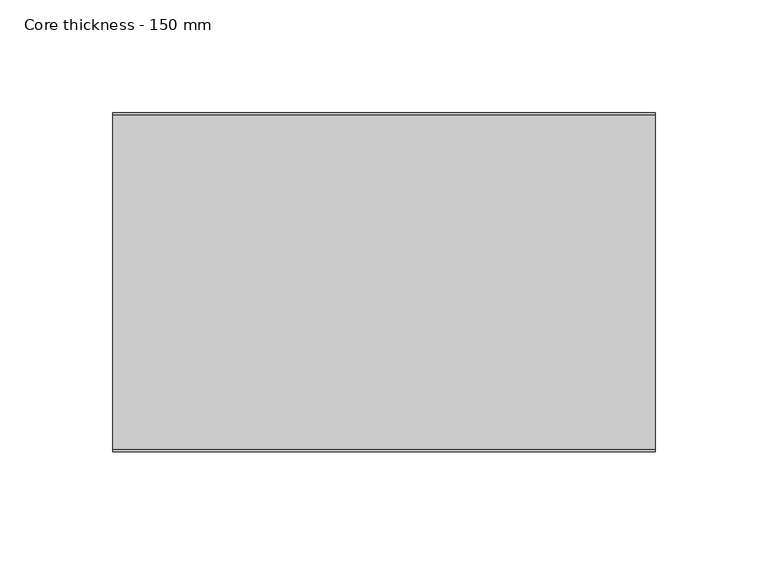
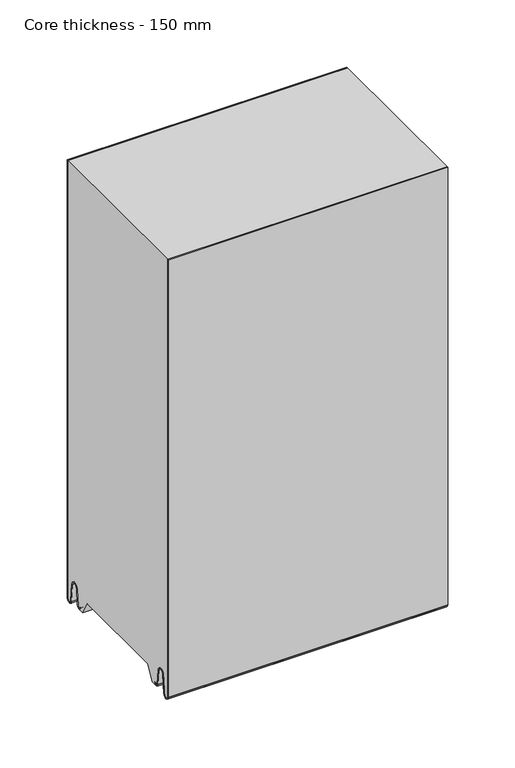
"""IFC4 building model written with IfcOpenShell, lengths in millimetres: plate geometry, Core thickness - 150 mm."""

import ifcopenshell
import ifcopenshell.guid

model = None  # the IFC model being written
_history = None  # IfcOwnerHistory: only IFC2X3 demands one
_inside = {}  # id of a spatial element -> (the spatial element, [elements in it])
_under = {}  # id of a project, library or spatial element -> (it, [spatial elements below it])
_declared = {}  # id of a project -> (the project, [libraries it declares])
_typed = {}  # id of a type object -> (the type object, [elements of that type])
_made_of = {}  # id of a material, layer set ... -> (it, [elements and type objects made of it])


def new_model(schema):
    """Start an empty IFC model of exactly this schema.

    Asked for "IFC4X3", IfcOpenShell would pick the latest addendum, in which some entities
    have other attributes; the version numbers below select the first issue.
    IFC2X3 requires an IfcOwnerHistory on every rooted entity: one is made here for all.
    """
    global model, _history
    if schema == "IFC4X3":
        model = ifcopenshell.file(schema_version=(4, 3, 0, 0))
    else:
        model = ifcopenshell.file(schema=schema)
    _inside.clear()
    _under.clear()
    _declared.clear()
    _typed.clear()
    _made_of.clear()
    _history = None
    if model.schema == "IFC2X3":
        org = make("IfcOrganization", Name="unknown")
        user = make(
            "IfcPersonAndOrganization",
            ThePerson=make("IfcPerson", FamilyName="unknown"),
            TheOrganization=org,
        )
        app = make(
            "IfcApplication",
            ApplicationDeveloper=org,
            Version="unknown",
            ApplicationFullName="unknown",
            ApplicationIdentifier="unknown",
        )
        _history = make(
            "IfcOwnerHistory",
            OwningUser=user,
            OwningApplication=app,
            ChangeAction="ADDED",
            CreationDate=0,
        )
    return model


def make(cls, **values):
    """One entity of the class cls with the attributes given. An attribute that is None is left unset."""
    return model.create_entity(
        cls, **{name: value for name, value in values.items() if value is not None}
    )


def rooted(cls, **values):
    """An entity with a GlobalId (a new one), such as an element, a storey or a relation."""
    return make(cls, GlobalId=ifcopenshell.guid.new(), OwnerHistory=_history, **values)


def si_unit(unit_type, name, prefix=None):
    """IfcSIUnit, for example si_unit("LENGTHUNIT", "METRE", prefix="MILLI")."""
    return make("IfcSIUnit", UnitType=unit_type, Prefix=prefix, Name=name)


def assignment(units):
    """IfcUnitAssignment: the units of a project."""
    return None if units is None else make("IfcUnitAssignment", Units=units)


def point(xyz):
    """IfcCartesianPoint."""
    return None if xyz is None else make("IfcCartesianPoint", Coordinates=xyz)


def direction(xyz):
    """IfcDirection."""
    return None if xyz is None else make("IfcDirection", DirectionRatios=xyz)


def frame(location, z_axis=None, x_axis=None):
    """IfcAxis2Placement3D, a coordinate frame: its origin and axes. An axis left out is left unset."""
    return make(
        "IfcAxis2Placement3D",
        Location=point(location),
        Axis=direction(z_axis),
        RefDirection=direction(x_axis),
    )


def origin():
    """The frame at (0, 0, 0) with its axes left unset."""
    return frame((0.0, 0.0, 0.0))


def place(relative_to, where):
    """IfcLocalPlacement: puts the frame where relative to a parent placement (None: the world)."""
    return make(
        "IfcLocalPlacement", PlacementRelTo=relative_to, RelativePlacement=where
    )


def context(
    kind, dimensions, precision=None, world=None, true_north=None, identifier=None
):
    """IfcGeometricRepresentationContext, for example the 3D "Model" context."""
    return make(
        "IfcGeometricRepresentationContext",
        ContextIdentifier=identifier,
        ContextType=kind,
        CoordinateSpaceDimension=dimensions,
        Precision=precision,
        WorldCoordinateSystem=world,
        TrueNorth=true_north,
    )


def project(units=None, contexts=None):
    """IfcProject with its units and contexts."""
    return rooted(
        "IfcProject",
        Name="project",
        RepresentationContexts=contexts,
        UnitsInContext=assignment(units),
    )


def spatial(cls, under=None, at=None, **own):
    """A site, building, storey or space (cls), placed at a placement, below another one or the project."""
    s = rooted(cls, ObjectPlacement=at, **own)
    if under is not None:
        _under.setdefault(under.id(), (under, []))[1].append(s)
    return s


def polyline(points):
    """IfcPolyline through the points."""
    return make("IfcPolyline", Points=[point(p) for p in points])


def circle_curve(where, radius):
    """IfcCircle in the frame where."""
    return make("IfcCircle", Position=where, Radius=radius)


def shape(context_of_items, identifier, shape_type, items):
    """IfcShapeRepresentation: the items that make up one representation, for example the "Body"."""
    return make(
        "IfcShapeRepresentation",
        ContextOfItems=context_of_items,
        RepresentationIdentifier=identifier,
        RepresentationType=shape_type,
        Items=items,
    )


def source(mapping_origin, context_of_items, identifier, shape_type, items):
    """IfcRepresentationMap: a shape defined once, which mapped items show again and again."""
    return make(
        "IfcRepresentationMap",
        MappingOrigin=mapping_origin,
        MappedRepresentation=shape(context_of_items, identifier, shape_type, items),
    )


def transform(
    local_origin,
    x_axis=None,
    y_axis=None,
    z_axis=None,
    scale=None,
    scale2=None,
    scale3=None,
    uniform=True,
):
    """IfcCartesianTransformationOperator3D, or its non-uniform kind. x_axis, y_axis, z_axis: its Axis1, 2, 3."""
    if uniform:
        return make(
            "IfcCartesianTransformationOperator3D",
            Axis1=direction(x_axis),
            Axis2=direction(y_axis),
            LocalOrigin=point(local_origin),
            Scale=scale,
            Axis3=direction(z_axis),
        )
    return make(
        "IfcCartesianTransformationOperator3DnonUniform",
        Axis1=direction(x_axis),
        Axis2=direction(y_axis),
        LocalOrigin=point(local_origin),
        Scale=scale,
        Axis3=direction(z_axis),
        Scale2=scale2,
        Scale3=scale3,
    )


def mapped(mapping_source, mapping_target):
    """IfcMappedItem: shows the shape of a source again, moved by a transform."""
    return make(
        "IfcMappedItem", MappingSource=mapping_source, MappingTarget=mapping_target
    )


def made_of(thing, what):
    """Note that an element or type object is made of a material, layer set ...; save() writes the relation."""
    if what is not None:
        _made_of.setdefault(what.id(), (what, []))[1].append(thing)
    return thing


def element(
    cls,
    number,
    at=None,
    inside=None,
    cuts=None,
    type_object=None,
    material=None,
    context=None,
    identifier="Body",
    shape_type=None,
    held_by="IfcProductDefinitionShape",
    body=None,
    shapes=None,
    **own,
):
    """One element of the class cls, such as IfcWall. Its Tag is "e" and its number.

    at: its placement. inside: the storey or other place that contains it. cuts: it is an
    opening in that element (IfcRelVoidsElement). A single representation is given by context,
    identifier, shape_type and body (its items); several are given by shapes. held_by: the class
    of the entity that holds the representations. save() writes the other relations.
    """
    e = rooted(cls, Tag="e%d" % number, ObjectPlacement=at, **own)
    if body is not None:
        shapes = [shape(context, identifier, shape_type, body)]
    if shapes is not None:
        e.Representation = make(held_by, Representations=shapes)
    if inside is not None:
        _inside.setdefault(inside.id(), (inside, []))[1].append(e)
    if cuts is not None:
        rooted(
            "IfcRelVoidsElement", RelatingBuildingElement=cuts, RelatedOpeningElement=e
        )
    if type_object is not None:
        _typed.setdefault(type_object.id(), (type_object, []))[1].append(e)
    return made_of(e, material)


def aggregate(whole, parts):
    """IfcRelAggregates: a whole, such as a stair, and the parts it consists of."""
    return rooted("IfcRelAggregates", RelatingObject=whole, RelatedObjects=parts)


def save(model, path):
    """Write the relations noted so far, then the file.

    IfcRelAggregates (storeys below a building ...), IfcRelContainedInSpatialStructure (elements
    in a storey), IfcRelDefinesByType, IfcRelAssociatesMaterial and IfcRelDeclares: one each for
    every whole, place, type object, material and project.
    """
    for whole, parts in _under.values():
        aggregate(whole, parts)
    for where, things in _inside.values():
        rooted(
            "IfcRelContainedInSpatialStructure",
            RelatedElements=things,
            RelatingStructure=where,
        )
    for kind, things in _typed.values():
        rooted("IfcRelDefinesByType", RelatedObjects=things, RelatingType=kind)
    for what, things in _made_of.values():
        rooted("IfcRelAssociatesMaterial", RelatedObjects=things, RelatingMaterial=what)
    for by, libraries in _declared.values():
        rooted("IfcRelDeclares", RelatingContext=by, RelatedDefinitions=libraries)
    model.write(path)


def plane_surface(at):
    """IfcPlane: the flat surface through the origin of the frame at, square to its z axis."""
    return make("IfcPlane", Position=at)


def cylinder_surface(at, radius):
    """IfcCylindricalSurface: all points at the distance radius from the z axis of the frame at."""
    return make("IfcCylindricalSurface", Position=at, Radius=radius)


def revolved_surface(curve, axis_point, axis_direction):
    """IfcSurfaceOfRevolution: the curve turned about the line through axis_point along axis_direction."""
    return make(
        "IfcSurfaceOfRevolution",
        SweptCurve=make("IfcArbitraryOpenProfileDef", ProfileType="CURVE", Curve=curve),
        AxisPosition=make("IfcAxis1Placement", Location=point(axis_point), Axis=direction(axis_direction)),
    )


def advanced_brep(points, edges, surfaces, faces):
    """IfcAdvancedBrep: a solid bounded by faces that lie on surfaces and meet in shared edges.

    An edge is (start, end): straight between two places in points (the first is 0);
    or (start, end, curve); or (start, end, curve, False) where it runs against its curve.
    A face is (place in surfaces, loops), or (place, loops, False) where it looks against
    its surface's normal. A loop lists edges by number (the first is 1), with a minus sign
    where the edge is run from its end to its start. The first loop is the outer one.
    """
    corners = [point(p) for p in points]
    vertices = [make("IfcVertexPoint", VertexGeometry=c) for c in corners]
    made = []
    for start, end, *more in edges:
        made.append(
            make(
                "IfcEdgeCurve",
                EdgeStart=vertices[start],
                EdgeEnd=vertices[end],
                EdgeGeometry=more[0] if more else make("IfcPolyline", Points=[corners[start], corners[end]]),
                SameSense=more[1] if len(more) > 1 else True,
            )
        )
    hull = []
    for where, loops, *sense in faces:
        bounds = []
        for j, loop in enumerate(loops):
            ring = [make("IfcOrientedEdge", EdgeElement=made[abs(k) - 1], Orientation=k > 0) for k in loop]
            bounds.append(
                make(
                    "IfcFaceOuterBound" if j == 0 else "IfcFaceBound",
                    Bound=make("IfcEdgeLoop", EdgeList=ring),
                    Orientation=True,
                )
            )
        hull.append(make("IfcAdvancedFace", Bounds=bounds, FaceSurface=surfaces[where], SameSense=sense[0] if sense else True))
    return make("IfcAdvancedBrep", Outer=make("IfcClosedShell", CfsFaces=hull))


def core_thickness_150_mm_35f1e17b(model_context):
    return source(origin(), model_context, "Body", "AdvancedBrep", [
        advanced_brep(
        [(119.9999998, -149.9996949, 2.9900682), (119.9999998, -143.81449, 2.6875612), (119.9999998, -142.197116, 19.1828169), (119.9999998, -139.1776715, 21.8898782), (119.9999998, -136.1582271, 19.1828169), (119.9999998, -134.7725998, 5.0510966), (119.9999998, -130.3830995, 5.265779), (119.9999998, -131.1830995, 5.265779), (119.9999998, -133.9764178, 5.1291629), (119.9999998, -135.3620451, 19.2608832), (119.9999998, -139.1776715, 22.6899182), (119.9999998, -142.9932979, 19.2608832), (119.9999998, -144.6106719, 2.7656275), (119.9999998, -149.1996949, 2.9900682), (119.9999998, -149.2, 400.0), (119.9999998, -149.9996949, 400.0), (-119.9999998, -149.1996949, 2.9900682), (-119.9999998, -144.6106719, 2.7656275), (-119.9999998, -142.9932979, 19.2608832), (-119.9999998, -139.1776715, 22.6899182), (-119.9999998, -135.3620451, 19.2608832), (-119.9999998, -133.9764178, 5.1291629), (-119.9999998, -131.1830995, 5.265779), (-119.9999998, -130.3830995, 5.265779), (-119.9999998, -134.7725998, 5.0510966), (-119.9999998, -136.1582271, 19.1828169), (-119.9999998, -139.1776715, 21.8898782), (-119.9999998, -142.197116, 19.1828169), (-119.9999998, -143.81449, 2.6875612), (-119.9999998, -149.9996949, 2.9900682), (-119.9999998, -149.9996949, 400.0), (-119.9999998, -149.2, 400.0)],
        [
            (0, 1, circle_curve(frame((119.9999998, -146.8996949, 2.9900682), z_axis=(1.0, 0.0, 0.0), x_axis=(0.0, 0.0, -1.0)), 3.1)),
            (1, 2),
            (2, 3, circle_curve(frame((119.9999998, -139.2114338, 18.8900682), z_axis=(-1.0, 0.0, 0.0), x_axis=(0.0, 0.0, -1.0)), 3.0)),
            (3, 4, circle_curve(frame((119.9999998, -139.1439093, 18.8900682), z_axis=(-1.0, 0.0, 0.0), x_axis=(0.0, 0.0, -1.0)), 3.0)),
            (4, 5),
            (5, 6, circle_curve(frame((119.9999998, -132.5830995, 5.265779), z_axis=(1.0, 0.0, 0.0), x_axis=(0.0, 0.0, -1.0)), 2.2)),
            (6, 7),
            (7, 8, circle_curve(frame((119.9999998, -132.5830995, 5.265779), z_axis=(-1.0, 0.0, 0.0), x_axis=(0.0, 0.0, -1.0)), 1.4)),
            (8, 9),
            (9, 10, circle_curve(frame((119.9999998, -139.1439093, 18.8900682), z_axis=(1.0, 0.0, 0.0), x_axis=(0.0, 0.0, -1.0)), 3.8)),
            (10, 11, circle_curve(frame((119.9999998, -139.2114338, 18.8900682), z_axis=(1.0, 0.0, 0.0), x_axis=(0.0, 0.0, -1.0)), 3.8)),
            (11, 12),
            (12, 13, circle_curve(frame((119.9999998, -146.8996949, 2.9900682), z_axis=(-1.0, 0.0, 0.0), x_axis=(0.0, 0.0, -1.0)), 2.3)),
            (13, 14),
            (14, 15),
            (15, 0),
            (16, 17, circle_curve(frame((-119.9999998, -146.8996949, 2.9900682), z_axis=(1.0, 0.0, 0.0), x_axis=(0.0, 0.0, -1.0)), 2.3)),
            (17, 18),
            (18, 19, circle_curve(frame((-119.9999998, -139.2114338, 18.8900682), z_axis=(-1.0, 0.0, 0.0), x_axis=(0.0, 0.0, -1.0)), 3.8)),
            (19, 20, circle_curve(frame((-119.9999998, -139.1439093, 18.8900682), z_axis=(-1.0, 0.0, 0.0), x_axis=(0.0, 0.0, -1.0)), 3.8)),
            (20, 21),
            (21, 22, circle_curve(frame((-119.9999998, -132.5830995, 5.265779), z_axis=(1.0, 0.0, 0.0), x_axis=(0.0, 0.0, -1.0)), 1.4)),
            (22, 23),
            (23, 24, circle_curve(frame((-119.9999998, -132.5830995, 5.265779), z_axis=(-1.0, 0.0, 0.0), x_axis=(0.0, 0.0, -1.0)), 2.2)),
            (24, 25),
            (25, 26, circle_curve(frame((-119.9999998, -139.1439093, 18.8900682), z_axis=(1.0, 0.0, 0.0), x_axis=(0.0, 0.0, -1.0)), 3.0)),
            (26, 27, circle_curve(frame((-119.9999998, -139.2114338, 18.8900682), z_axis=(1.0, 0.0, 0.0), x_axis=(0.0, 0.0, -1.0)), 3.0)),
            (27, 28),
            (28, 29, circle_curve(frame((-119.9999998, -146.8996949, 2.9900682), z_axis=(-1.0, 0.0, 0.0), x_axis=(0.0, 0.0, -1.0)), 3.1)),
            (29, 30),
            (30, 31),
            (31, 16),
            (13, 16),
            (31, 14),
            (29, 0),
            (15, 30),
            (12, 17),
            (11, 18),
            (10, 19),
            (9, 20),
            (8, 21),
            (7, 22),
            (6, 23),
            (5, 24),
            (4, 25),
            (3, 26),
            (2, 27),
            (1, 28),
        ],
        [
            plane_surface(frame((119.9999998, -150.0, 0.0), z_axis=(1.0, 0.0, 0.0), x_axis=(0.0, 1.0, 0.0))),
            plane_surface(frame((-119.9999998, -150.0, 0.0), z_axis=(-1.0, 0.0, 0.0), x_axis=(0.0, 1.0, 0.0))),
            plane_surface(frame((119.9999998, -149.2, 2.9900682), z_axis=(0.0, 1.0, 0.0), x_axis=(-1.0, 0.0, 0.0))),
            plane_surface(frame((119.9999998, -149.9996949, 1093.8000005), z_axis=(0.0, -1.0, 0.0), x_axis=(-1.0, 0.0, 0.0))),
            revolved_surface(polyline([(-119.9999998, -146.8996949, 0.6900682000000002), (119.9999998, -146.8996949, 0.6900682000000002)]), (119.9999998, -146.8996949, 2.9900682), (-1.0, 0.0, 0.0)),
            plane_surface(frame((119.9999998, -142.9932979, 19.2608832), z_axis=(0.0, -0.9952273999818314, 0.09758289975914787), x_axis=(-1.0, 0.0, 0.0))),
            cylinder_surface(frame((119.9999998, -139.2114338, 18.8900682), z_axis=(1.0, 0.0, 0.0), x_axis=(0.0, 0.0, -1.0)), 3.8),
            cylinder_surface(frame((119.9999998, -139.1439093, 18.8900682), z_axis=(1.0, 0.0, 0.0), x_axis=(0.0, 0.0, -1.0)), 3.8),
            plane_surface(frame((119.9999998, -133.9764178, 5.1291629), z_axis=(0.0, 0.9952273999818297, 0.09758289975916531), x_axis=(-1.0, 0.0, 0.0))),
            revolved_surface(polyline([(-119.9999998, -132.5830995, 3.8657790000000003), (119.9999998, -132.5830995, 3.8657790000000003)]), (119.9999998, -132.5830995, 5.265779), (-1.0, 0.0, 0.0)),
            plane_surface(frame((119.9999998, -130.3830995, 5.265779), z_axis=(0.0, 0.0, 1.0), x_axis=(-1.0, 0.0, 0.0))),
            cylinder_surface(frame((119.9999998, -132.5830995, 5.265779), z_axis=(1.0, 0.0, 0.0), x_axis=(0.0, 0.0, -1.0)), 2.2),
            plane_surface(frame((119.9999998, -136.1582271, 19.1828169), z_axis=(0.0, -0.9952273999818296, -0.09758289975916527), x_axis=(-1.0, 0.0, 0.0))),
            revolved_surface(polyline([(-119.9999998, -139.1439093, 15.890068200000002), (119.9999998, -139.1439093, 15.890068200000002)]), (119.9999998, -139.1439093, 18.8900682), (-1.0, 0.0, 0.0)),
            revolved_surface(polyline([(-119.9999998, -139.2114338, 15.890068200000002), (119.9999998, -139.2114338, 15.890068200000002)]), (119.9999998, -139.2114338, 18.8900682), (-1.0, 0.0, 0.0)),
            plane_surface(frame((119.9999998, -143.81449, 2.6875612), z_axis=(0.0, 0.9952273999818314, -0.09758289975914787), x_axis=(-1.0, 0.0, 0.0))),
            cylinder_surface(frame((119.9999998, -146.8996949, 2.9900682), z_axis=(1.0, 0.0, 0.0), x_axis=(0.0, 0.0, -1.0)), 3.1),
            plane_surface(frame((-119.9999998, 134.0533409, 400.0), z_axis=(0.0, 0.0, 1.0), x_axis=(1.0, 0.0, 0.0))),
        ],
        [
            (0, [[1, 2, 3, 4, 5, 6, 7, 8, 9, 10, 11, 12, 13, 14, 15, 16]]),
            (1, [[17, 18, 19, 20, 21, 22, 23, 24, 25, 26, 27, 28, 29, 30, 31, 32]]),
            (2, [[33, -32, 34, -14]]),
            (3, [[35, -16, 36, -30]]),
            (4, [[-13, 37, -17, -33]]),
            (5, [[-12, 38, -18, -37]]),
            (6, [[-11, 39, -19, -38]]),
            (7, [[-10, 40, -20, -39]]),
            (8, [[-9, 41, -21, -40]]),
            (9, [[-8, 42, -22, -41]]),
            (10, [[-7, 43, -23, -42]]),
            (11, [[-6, 44, -24, -43]]),
            (12, [[-5, 45, -25, -44]]),
            (13, [[-4, 46, -26, -45]]),
            (14, [[-3, 47, -27, -46]]),
            (15, [[-2, 48, -28, -47]]),
            (16, [[-1, -35, -29, -48]]),
            (17, [[-15, -34, -31, -36]]),
        ],
    ),
        advanced_brep(
        [(119.9999998, -0.8003051, 2.9900682), (119.9999998, -5.3893281, 2.7656275), (119.9999998, -7.0067021, 19.2608832), (119.9999998, -10.8223285, 22.6899182), (119.9999998, -14.6379549, 19.2608832), (119.9999998, -16.0235822, 5.1291629), (119.9999998, -18.8169005, 5.265779), (119.9999998, -19.6169005, 5.265779), (119.9999998, -15.2274002, 5.0510966), (119.9999998, -13.8417729, 19.1828169), (119.9999998, -10.8223285, 21.8898782), (119.9999998, -7.802884, 19.1828169), (119.9999998, -6.18551, 2.6875612), (119.9999998, -0.0003051, 2.9900682), (119.9999998, -0.0003051, 400.0), (119.9999998, -0.8, 400.0), (-119.9999998, -0.0003051, 2.9900682), (-119.9999998, -6.18551, 2.6875612), (-119.9999998, -7.802884, 19.1828169), (-119.9999998, -10.8223285, 21.8898782), (-119.9999998, -13.8417729, 19.1828169), (-119.9999998, -15.2274002, 5.0510966), (-119.9999998, -19.6169005, 5.265779), (-119.9999998, -18.8169005, 5.265779), (-119.9999998, -16.0235822, 5.1291629), (-119.9999998, -14.6379549, 19.2608832), (-119.9999998, -10.8223285, 22.6899182), (-119.9999998, -7.0067021, 19.2608832), (-119.9999998, -5.3893281, 2.7656275), (-119.9999998, -0.8003051, 2.9900682), (-119.9999998, -0.8, 400.0), (-119.9999998, -0.0003051, 400.0)],
        [
            (0, 1, circle_curve(frame((119.9999998, -3.1003051, 2.9900682), z_axis=(-1.0, 0.0, 0.0), x_axis=(0.0, 0.0, -1.0)), 2.3)),
            (1, 2),
            (2, 3, circle_curve(frame((119.9999998, -10.7885662, 18.8900682), z_axis=(1.0, 0.0, 0.0), x_axis=(0.0, 0.0, -1.0)), 3.8)),
            (3, 4, circle_curve(frame((119.9999998, -10.8560907, 18.8900682), z_axis=(1.0, 0.0, 0.0), x_axis=(0.0, 0.0, -1.0)), 3.8)),
            (4, 5),
            (5, 6, circle_curve(frame((119.9999998, -17.4169005, 5.265779), z_axis=(-1.0, 0.0, 0.0), x_axis=(0.0, 0.0, -1.0)), 1.4)),
            (6, 7),
            (7, 8, circle_curve(frame((119.9999998, -17.4169005, 5.265779), z_axis=(1.0, 0.0, 0.0), x_axis=(0.0, 0.0, -1.0)), 2.2)),
            (8, 9),
            (9, 10, circle_curve(frame((119.9999998, -10.8560907, 18.8900682), z_axis=(-1.0, 0.0, 0.0), x_axis=(0.0, 0.0, -1.0)), 3.0)),
            (10, 11, circle_curve(frame((119.9999998, -10.7885662, 18.8900682), z_axis=(-1.0, 0.0, 0.0), x_axis=(0.0, 0.0, -1.0)), 3.0)),
            (11, 12),
            (12, 13, circle_curve(frame((119.9999998, -3.1003051, 2.9900682), z_axis=(1.0, 0.0, 0.0), x_axis=(0.0, 0.0, -1.0)), 3.1)),
            (13, 14),
            (14, 15),
            (15, 0),
            (16, 17, circle_curve(frame((-119.9999998, -3.1003051, 2.9900682), z_axis=(-1.0, 0.0, 0.0), x_axis=(0.0, 0.0, -1.0)), 3.1)),
            (17, 18),
            (18, 19, circle_curve(frame((-119.9999998, -10.7885662, 18.8900682), z_axis=(1.0, 0.0, 0.0), x_axis=(0.0, 0.0, -1.0)), 3.0)),
            (19, 20, circle_curve(frame((-119.9999998, -10.8560907, 18.8900682), z_axis=(1.0, 0.0, 0.0), x_axis=(0.0, 0.0, -1.0)), 3.0)),
            (20, 21),
            (21, 22, circle_curve(frame((-119.9999998, -17.4169005, 5.265779), z_axis=(-1.0, 0.0, 0.0), x_axis=(0.0, 0.0, -1.0)), 2.2)),
            (22, 23),
            (23, 24, circle_curve(frame((-119.9999998, -17.4169005, 5.265779), z_axis=(1.0, 0.0, 0.0), x_axis=(0.0, 0.0, -1.0)), 1.4)),
            (24, 25),
            (25, 26, circle_curve(frame((-119.9999998, -10.8560907, 18.8900682), z_axis=(-1.0, 0.0, 0.0), x_axis=(0.0, 0.0, -1.0)), 3.8)),
            (26, 27, circle_curve(frame((-119.9999998, -10.7885662, 18.8900682), z_axis=(-1.0, 0.0, 0.0), x_axis=(0.0, 0.0, -1.0)), 3.8)),
            (27, 28),
            (28, 29, circle_curve(frame((-119.9999998, -3.1003051, 2.9900682), z_axis=(1.0, 0.0, 0.0), x_axis=(0.0, 0.0, -1.0)), 2.3)),
            (29, 30),
            (30, 31),
            (31, 16),
            (13, 16),
            (31, 14),
            (29, 0),
            (15, 30),
            (12, 17),
            (11, 18),
            (10, 19),
            (9, 20),
            (8, 21),
            (7, 22),
            (6, 23),
            (5, 24),
            (4, 25),
            (3, 26),
            (2, 27),
            (1, 28),
        ],
        [
            plane_surface(frame((119.9999998, 0.0, 0.0), z_axis=(1.0, 0.0, 0.0), x_axis=(0.0, -1.0, 0.0))),
            plane_surface(frame((-119.9999998, 0.0, 0.0), z_axis=(-1.0, 0.0, 0.0), x_axis=(0.0, -1.0, 0.0))),
            plane_surface(frame((119.9999998, -0.0003051, 2.9900682), z_axis=(0.0, 1.0, 0.0), x_axis=(-1.0, 0.0, 0.0))),
            plane_surface(frame((119.9999998, -0.8, 1093.8000005), z_axis=(0.0, -1.0, 0.0), x_axis=(-1.0, 0.0, 0.0))),
            cylinder_surface(frame((119.9999998, -3.1003051, 2.9900682), z_axis=(1.0, 0.0, 0.0), x_axis=(0.0, 0.0, -1.0)), 3.1),
            plane_surface(frame((119.9999998, -7.802884, 19.1828169), z_axis=(0.0, -0.9952273999818314, -0.09758289975914787), x_axis=(-1.0, 0.0, 0.0))),
            revolved_surface(polyline([(-119.9999998, -10.7885662, 15.890068200000002), (119.9999998, -10.7885662, 15.890068200000002)]), (119.9999998, -10.7885662, 18.8900682), (-1.0, 0.0, 0.0)),
            revolved_surface(polyline([(-119.9999998, -10.8560907, 15.890068200000002), (119.9999998, -10.8560907, 15.890068200000002)]), (119.9999998, -10.8560907, 18.8900682), (-1.0, 0.0, 0.0)),
            plane_surface(frame((119.9999998, -15.2274002, 5.0510966), z_axis=(0.0, 0.9952273999818296, -0.09758289975916527), x_axis=(-1.0, 0.0, 0.0))),
            cylinder_surface(frame((119.9999998, -17.4169005, 5.265779), z_axis=(1.0, 0.0, 0.0), x_axis=(0.0, 0.0, -1.0)), 2.2),
            plane_surface(frame((119.9999998, -18.8169005, 5.265779), z_axis=(0.0, 0.0, 1.0), x_axis=(-1.0, 0.0, 0.0))),
            revolved_surface(polyline([(-119.9999998, -17.4169005, 3.8657790000000003), (119.9999998, -17.4169005, 3.8657790000000003)]), (119.9999998, -17.4169005, 5.265779), (-1.0, 0.0, 0.0)),
            plane_surface(frame((119.9999998, -14.6379549, 19.2608832), z_axis=(0.0, -0.9952273999818297, 0.09758289975916531), x_axis=(-1.0, 0.0, 0.0))),
            cylinder_surface(frame((119.9999998, -10.8560907, 18.8900682), z_axis=(1.0, 0.0, 0.0), x_axis=(0.0, 0.0, -1.0)), 3.8),
            cylinder_surface(frame((119.9999998, -10.7885662, 18.8900682), z_axis=(1.0, 0.0, 0.0), x_axis=(0.0, 0.0, -1.0)), 3.8),
            plane_surface(frame((119.9999998, -5.3893281, 2.7656275), z_axis=(0.0, 0.9952273999818314, 0.09758289975914787), x_axis=(-1.0, 0.0, 0.0))),
            revolved_surface(polyline([(-119.9999998, -3.1003051, 0.6900682000000002), (119.9999998, -3.1003051, 0.6900682000000002)]), (119.9999998, -3.1003051, 2.9900682), (-1.0, 0.0, 0.0)),
            plane_surface(frame((-119.9999998, 134.0533409, 400.0), z_axis=(0.0, 0.0, 1.0), x_axis=(1.0, 0.0, 0.0))),
        ],
        [
            (0, [[1, 2, 3, 4, 5, 6, 7, 8, 9, 10, 11, 12, 13, 14, 15, 16]]),
            (1, [[17, 18, 19, 20, 21, 22, 23, 24, 25, 26, 27, 28, 29, 30, 31, 32]]),
            (2, [[33, -32, 34, -14]]),
            (3, [[35, -16, 36, -30]]),
            (4, [[-13, 37, -17, -33]]),
            (5, [[-12, 38, -18, -37]]),
            (6, [[-11, 39, -19, -38]]),
            (7, [[-10, 40, -20, -39]]),
            (8, [[-9, 41, -21, -40]]),
            (9, [[-8, 42, -22, -41]]),
            (10, [[-7, 43, -23, -42]]),
            (11, [[-6, 44, -24, -43]]),
            (12, [[-5, 45, -25, -44]]),
            (13, [[-4, 46, -26, -45]]),
            (14, [[-3, 47, -27, -46]]),
            (15, [[-2, 48, -28, -47]]),
            (16, [[-1, -35, -29, -48]]),
            (17, [[-15, -34, -31, -36]]),
        ],
    ),
        advanced_brep(
        [(119.9999998, -119.873448, 15.0417681), (119.9999998, -30.126552, 15.0417681), (119.9999998, -23.4086055, 3.0684055), (119.9999998, -17.4169005, 3.0684055), (119.9999998, -19.6169005, 5.265779), (119.9999998, -18.8169005, 5.265779), (119.9999998, -16.0235822, 5.1291629), (119.9999998, -14.6379549, 19.2608832), (119.9999998, -10.8223285, 22.6899182), (119.9999998, -7.0067021, 19.2608832), (119.9999998, -5.3893281, 2.7656275), (119.9999998, -0.8003051, 2.9900682), (119.9999998, -0.8, 400.0), (119.9999998, -149.2, 400.0), (119.9999998, -149.2, 2.9900682), (119.9999998, -144.6106719, 2.7656275), (119.9999998, -142.9932979, 19.2608832), (119.9999998, -139.1776715, 22.6899182), (119.9999998, -135.3620451, 19.2608832), (119.9999998, -133.9764178, 5.1291629), (119.9999998, -131.1830995, 5.265779), (119.9999998, -130.3830995, 5.265779), (119.9999998, -132.5830995, 3.065779), (119.9999998, -126.5913945, 3.0684055), (-119.9999998, -30.126552, 15.0417681), (-119.9999998, -119.873448, 15.0417681), (-119.9999998, -126.5913945, 3.0684055), (-119.9999998, -132.5830995, 3.0684055), (-119.9999998, -130.3830995, 5.265779), (-119.9999998, -131.1830995, 5.265779), (-119.9999998, -133.9764178, 5.1291629), (-119.9999998, -135.3620451, 19.2608832), (-119.9999998, -139.1776715, 22.6899182), (-119.9999998, -142.9932979, 19.2608832), (-119.9999998, -144.6106719, 2.7656275), (-119.9999998, -149.1996949, 2.9900682), (-119.9999998, -149.2, 400.0), (-119.9999998, -0.8, 400.0), (-119.9999998, -0.8, 2.9900682), (-119.9999998, -5.3893281, 2.7656275), (-119.9999998, -7.0067021, 19.2608832), (-119.9999998, -10.8223285, 22.6899182), (-119.9999998, -14.6379549, 19.2608832), (-119.9999998, -16.0235822, 5.1291629), (-119.9999998, -18.8169005, 5.265779), (-119.9999998, -19.6169005, 5.265779), (-119.9999998, -17.4169005, 3.065779), (-119.9999998, -23.4086055, 3.0684055)],
        [
            (0, 1),
            (1, 2),
            (2, 3),
            (3, 4, circle_curve(frame((119.9999998, -17.4169005, 5.265779), z_axis=(-1.0, 0.0, 0.0), x_axis=(0.0, 0.0, -1.0)), 2.2)),
            (4, 5),
            (5, 6, circle_curve(frame((119.9999998, -17.4169005, 5.265779), z_axis=(1.0, 0.0, 0.0), x_axis=(0.0, 0.0, -1.0)), 1.4)),
            (6, 7),
            (7, 8, circle_curve(frame((119.9999998, -10.8560907, 18.8900682), z_axis=(-1.0, 0.0, 0.0), x_axis=(0.0, 0.0, -1.0)), 3.8)),
            (8, 9, circle_curve(frame((119.9999998, -10.7885662, 18.8900682), z_axis=(-1.0, 0.0, 0.0), x_axis=(0.0, 0.0, -1.0)), 3.8)),
            (9, 10),
            (10, 11, circle_curve(frame((119.9999998, -3.1003051, 2.9900682), z_axis=(1.0, 0.0, 0.0), x_axis=(0.0, 0.0, -1.0)), 2.3)),
            (11, 12),
            (12, 13),
            (13, 14),
            (14, 15, circle_curve(frame((119.9999998, -146.8996949, 2.9900682), z_axis=(1.0, 0.0, 0.0), x_axis=(0.0, 0.0, -1.0)), 2.3)),
            (15, 16),
            (16, 17, circle_curve(frame((119.9999998, -139.2114338, 18.8900682), z_axis=(-1.0, 0.0, 0.0), x_axis=(0.0, 0.0, -1.0)), 3.8)),
            (17, 18, circle_curve(frame((119.9999998, -139.1439093, 18.8900682), z_axis=(-1.0, 0.0, 0.0), x_axis=(0.0, 0.0, -1.0)), 3.8)),
            (18, 19),
            (19, 20, circle_curve(frame((119.9999998, -132.5830995, 5.265779), z_axis=(1.0, 0.0, 0.0), x_axis=(0.0, 0.0, -1.0)), 1.4)),
            (20, 21),
            (21, 22, circle_curve(frame((119.9999998, -132.5830995, 5.265779), z_axis=(-1.0, 0.0, 0.0), x_axis=(0.0, 0.0, -1.0)), 2.2)),
            (22, 23),
            (23, 0),
            (24, 25),
            (25, 26),
            (26, 27),
            (27, 28, circle_curve(frame((-119.9999998, -132.5830995, 5.265779), z_axis=(1.0, 0.0, 0.0), x_axis=(0.0, 0.0, -1.0)), 2.2)),
            (28, 29),
            (29, 30, circle_curve(frame((-119.9999998, -132.5830995, 5.265779), z_axis=(-1.0, 0.0, 0.0), x_axis=(0.0, 0.0, -1.0)), 1.4)),
            (30, 31),
            (31, 32, circle_curve(frame((-119.9999998, -139.1439093, 18.8900682), z_axis=(1.0, 0.0, 0.0), x_axis=(0.0, 0.0, -1.0)), 3.8)),
            (32, 33, circle_curve(frame((-119.9999998, -139.2114338, 18.8900682), z_axis=(1.0, 0.0, 0.0), x_axis=(0.0, 0.0, -1.0)), 3.8)),
            (33, 34),
            (34, 35, circle_curve(frame((-119.9999998, -146.8996949, 2.9900682), z_axis=(-1.0, 0.0, 0.0), x_axis=(0.0, 0.0, -1.0)), 2.3)),
            (35, 36),
            (36, 37),
            (37, 38),
            (38, 39, circle_curve(frame((-119.9999998, -3.1003051, 2.9900682), z_axis=(-1.0, 0.0, 0.0), x_axis=(0.0, 0.0, -1.0)), 2.3)),
            (39, 40),
            (40, 41, circle_curve(frame((-119.9999998, -10.7885662, 18.8900682), z_axis=(1.0, 0.0, 0.0), x_axis=(0.0, 0.0, -1.0)), 3.8)),
            (41, 42, circle_curve(frame((-119.9999998, -10.8560907, 18.8900682), z_axis=(1.0, 0.0, 0.0), x_axis=(0.0, 0.0, -1.0)), 3.8)),
            (42, 43),
            (43, 44, circle_curve(frame((-119.9999998, -17.4169005, 5.265779), z_axis=(-1.0, 0.0, 0.0), x_axis=(0.0, 0.0, -1.0)), 1.4)),
            (44, 45),
            (45, 46, circle_curve(frame((-119.9999998, -17.4169005, 5.265779), z_axis=(1.0, 0.0, 0.0), x_axis=(0.0, 0.0, -1.0)), 2.2)),
            (46, 47),
            (47, 24),
            (1, 24),
            (47, 2),
            (0, 25),
            (23, 26),
            (46, 3),
            (22, 27),
            (35, 14),
            (13, 36),
            (34, 15),
            (33, 16),
            (32, 17),
            (31, 18),
            (30, 19),
            (29, 20),
            (28, 21),
            (12, 37),
            (11, 38),
            (45, 4),
            (44, 5),
            (43, 6),
            (42, 7),
            (41, 8),
            (40, 9),
            (39, 10),
        ],
        [
            plane_surface(frame((119.9999998, 0.0, 0.0), z_axis=(1.0, 0.0, 0.0), x_axis=(0.0, -1.0, 0.0))),
            plane_surface(frame((-119.9999998, 0.0, 0.0), z_axis=(-1.0, 0.0, 0.0), x_axis=(0.0, -1.0, 0.0))),
            plane_surface(frame((119.9999998, -30.126552, 15.0417681), z_axis=(0.0, -0.8721062992196836, -0.4893164649399687), x_axis=(-1.0, 0.0, 0.0))),
            plane_surface(frame((119.9999998, -119.873448, 15.0417681), z_axis=(0.0, 0.0, -1.0), x_axis=(-1.0, 0.0, 0.0))),
            plane_surface(frame((119.9999998, -126.8190247, 2.6627014), z_axis=(0.0, 0.8721062992196852, -0.48931646493996606), x_axis=(-1.0, 0.0, 0.0))),
            plane_surface(frame((-119.9999998, -132.5830995, 3.0684055), z_axis=(0.0, 0.0, -1.0), x_axis=(1.0, 0.0, 0.0))),
            plane_surface(frame((249.9999998, -149.2, 2.9900682), z_axis=(0.0, -1.0, 0.0), x_axis=(-1.0, 0.0, 0.0))),
            cylinder_surface(frame((249.9999998, -146.8996949, 2.9900682), z_axis=(-1.0, 0.0, 0.0), x_axis=(0.0, 0.0, -1.0)), 2.3),
            plane_surface(frame((249.9999998, -142.9932979, 19.2608832), z_axis=(0.0, 0.9952273999818314, -0.09758289975914787), x_axis=(-1.0, 0.0, 0.0))),
            revolved_surface(polyline([(119.99999980000001, -139.2114338, 15.090068200000001), (-119.99999980000001, -139.2114338, 15.090068200000001)]), (249.9999998, -139.2114338, 18.8900682), (1.0, 0.0, 0.0)),
            revolved_surface(polyline([(119.99999980000001, -139.1439093, 15.090068200000001), (-119.99999980000001, -139.1439093, 15.090068200000001)]), (249.9999998, -139.1439093, 18.8900682), (1.0, 0.0, 0.0)),
            plane_surface(frame((249.9999998, -133.9764178, 5.1291629), z_axis=(0.0, -0.9952273999818297, -0.09758289975916531), x_axis=(-1.0, 0.0, 0.0))),
            cylinder_surface(frame((249.9999998, -132.5830995, 5.265779), z_axis=(-1.0, 0.0, 0.0), x_axis=(0.0, 0.0, -1.0)), 1.4),
            plane_surface(frame((249.9999998, -130.3830995, 5.265779), z_axis=(0.0, 0.0, -1.0), x_axis=(-1.0, 0.0, 0.0))),
            revolved_surface(polyline([(119.99999980000001, -132.5830995, 3.065779), (-119.99999980000001, -132.5830995, 3.065779)]), (249.9999998, -132.5830995, 5.265779), (1.0, 0.0, 0.0)),
            plane_surface(frame((-119.9999998, 134.0533409, 400.0), z_axis=(0.0, 0.0, 1.0), x_axis=(1.0, 0.0, 0.0))),
            plane_surface(frame((249.9999998, -0.8, 1093.8000005), z_axis=(0.0, 1.0, 0.0), x_axis=(-1.0, 0.0, 0.0))),
            revolved_surface(polyline([(119.99999980000001, -17.4169005, 3.065779), (-119.99999980000001, -17.4169005, 3.065779)]), (249.9999998, -17.4169005, 5.265779), (1.0, 0.0, 0.0)),
            plane_surface(frame((249.9999998, -18.8169005, 5.265779), z_axis=(0.0, 0.0, -1.0), x_axis=(-1.0, 0.0, 0.0))),
            cylinder_surface(frame((249.9999998, -17.4169005, 5.265779), z_axis=(-1.0, 0.0, 0.0), x_axis=(0.0, 0.0, -1.0)), 1.4),
            plane_surface(frame((249.9999998, -14.6379549, 19.2608832), z_axis=(0.0, 0.9952273999818297, -0.09758289975916531), x_axis=(-1.0, 0.0, 0.0))),
            revolved_surface(polyline([(119.99999980000001, -10.8560907, 15.090068200000001), (-119.99999980000001, -10.8560907, 15.090068200000001)]), (249.9999998, -10.8560907, 18.8900682), (1.0, 0.0, 0.0)),
            revolved_surface(polyline([(119.99999980000001, -10.7885662, 15.090068200000001), (-119.99999980000001, -10.7885662, 15.090068200000001)]), (249.9999998, -10.7885662, 18.8900682), (1.0, 0.0, 0.0)),
            plane_surface(frame((249.9999998, -5.3893281, 2.7656275), z_axis=(0.0, -0.9952273999818314, -0.09758289975914787), x_axis=(-1.0, 0.0, 0.0))),
            cylinder_surface(frame((249.9999998, -3.1003051, 2.9900682), z_axis=(-1.0, 0.0, 0.0), x_axis=(0.0, 0.0, -1.0)), 2.3),
        ],
        [
            (0, [[1, 2, 3, 4, 5, 6, 7, 8, 9, 10, 11, 12, 13, 14, 15, 16, 17, 18, 19, 20, 21, 22, 23, 24]]),
            (1, [[25, 26, 27, 28, 29, 30, 31, 32, 33, 34, 35, 36, 37, 38, 39, 40, 41, 42, 43, 44, 45, 46, 47, 48]]),
            (2, [[49, -48, 50, -2]]),
            (3, [[-1, 51, -25, -49]]),
            (4, [[-51, -24, 52, -26]]),
            (5, [[-3, -50, -47, 53]]),
            (5, [[-23, 54, -27, -52]]),
            (6, [[55, -14, 56, -36]]),
            (7, [[-55, -35, 57, -15]]),
            (8, [[-57, -34, 58, -16]]),
            (9, [[-58, -33, 59, -17]]),
            (10, [[-59, -32, 60, -18]]),
            (11, [[-60, -31, 61, -19]]),
            (12, [[-61, -30, 62, -20]]),
            (13, [[-62, -29, 63, -21]]),
            (14, [[-63, -28, -54, -22]]),
            (15, [[64, -37, -56, -13]]),
            (16, [[65, -38, -64, -12]]),
            (17, [[66, -4, -53, -46]]),
            (18, [[-66, -45, 67, -5]]),
            (19, [[-67, -44, 68, -6]]),
            (20, [[-68, -43, 69, -7]]),
            (21, [[-69, -42, 70, -8]]),
            (22, [[-70, -41, 71, -9]]),
            (23, [[-71, -40, 72, -10]]),
            (24, [[-72, -39, -65, -11]]),
        ],
    ),
    ])


if __name__ == "__main__":
    model = new_model("IFC4")
    model_context = context("Model", 3, world=origin())
    ifc_project = project(units=[si_unit("LENGTHUNIT", "METRE", prefix="MILLI")], contexts=[model_context])
    site = spatial("IfcSite", under=ifc_project)
    building = spatial("IfcBuilding", under=site)
    placement = place(None, origin())
    core_thickness_150_mm_shape = core_thickness_150_mm_35f1e17b(model_context)
    element("IfcPlate", 1, ObjectType="Core thickness - 150 mm", at=placement, inside=building, context=model_context, shape_type="MappedRepresentation", body=[
        mapped(core_thickness_150_mm_shape, transform((0.0, 0.0, 0.0), x_axis=(1.0, 0.0, 0.0), y_axis=(0.0, 1.0, 0.0), z_axis=(0.0, 0.0, 1.0))),
    ])
    save(model, "model.ifc")
